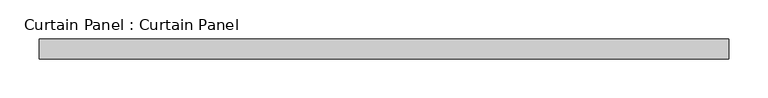
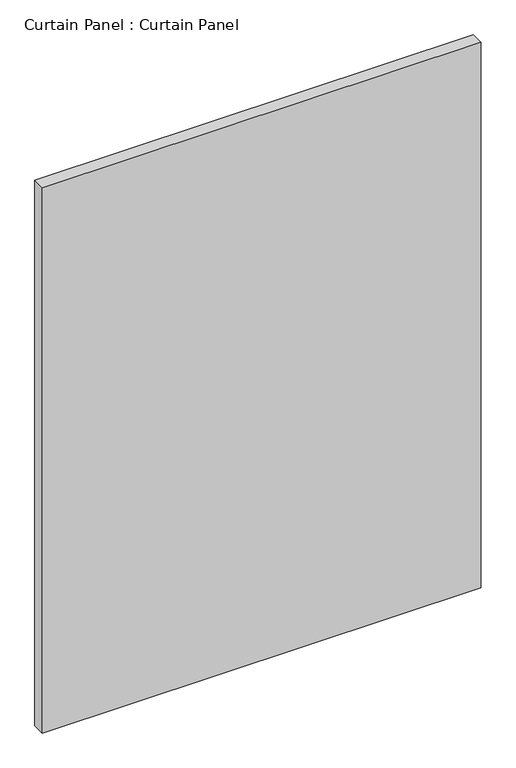
"""IFC4 building model written with IfcOpenShell, lengths in millimetres: plate geometry, Curtain Panel : Curtain Panel."""

import ifcopenshell
import ifcopenshell.guid

model = None  # the IFC model being written
_history = None  # IfcOwnerHistory: only IFC2X3 demands one
_inside = {}  # id of a spatial element -> (the spatial element, [elements in it])
_under = {}  # id of a project, library or spatial element -> (it, [spatial elements below it])
_declared = {}  # id of a project -> (the project, [libraries it declares])
_typed = {}  # id of a type object -> (the type object, [elements of that type])
_made_of = {}  # id of a material, layer set ... -> (it, [elements and type objects made of it])


def new_model(schema):
    """Start an empty IFC model of exactly this schema.

    Asked for "IFC4X3", IfcOpenShell would pick the latest addendum, in which some entities
    have other attributes; the version numbers below select the first issue.
    IFC2X3 requires an IfcOwnerHistory on every rooted entity: one is made here for all.
    """
    global model, _history
    if schema == "IFC4X3":
        model = ifcopenshell.file(schema_version=(4, 3, 0, 0))
    else:
        model = ifcopenshell.file(schema=schema)
    _inside.clear()
    _under.clear()
    _declared.clear()
    _typed.clear()
    _made_of.clear()
    _history = None
    if model.schema == "IFC2X3":
        org = make("IfcOrganization", Name="unknown")
        user = make(
            "IfcPersonAndOrganization",
            ThePerson=make("IfcPerson", FamilyName="unknown"),
            TheOrganization=org,
        )
        app = make(
            "IfcApplication",
            ApplicationDeveloper=org,
            Version="unknown",
            ApplicationFullName="unknown",
            ApplicationIdentifier="unknown",
        )
        _history = make(
            "IfcOwnerHistory",
            OwningUser=user,
            OwningApplication=app,
            ChangeAction="ADDED",
            CreationDate=0,
        )
    return model


def make(cls, **values):
    """One entity of the class cls with the attributes given. An attribute that is None is left unset."""
    return model.create_entity(
        cls, **{name: value for name, value in values.items() if value is not None}
    )


def rooted(cls, **values):
    """An entity with a GlobalId (a new one), such as an element, a storey or a relation."""
    return make(cls, GlobalId=ifcopenshell.guid.new(), OwnerHistory=_history, **values)


def si_unit(unit_type, name, prefix=None):
    """IfcSIUnit, for example si_unit("LENGTHUNIT", "METRE", prefix="MILLI")."""
    return make("IfcSIUnit", UnitType=unit_type, Prefix=prefix, Name=name)


def assignment(units):
    """IfcUnitAssignment: the units of a project."""
    return None if units is None else make("IfcUnitAssignment", Units=units)


def point(xyz):
    """IfcCartesianPoint."""
    return None if xyz is None else make("IfcCartesianPoint", Coordinates=xyz)


def direction(xyz):
    """IfcDirection."""
    return None if xyz is None else make("IfcDirection", DirectionRatios=xyz)


def frame(location, z_axis=None, x_axis=None):
    """IfcAxis2Placement3D, a coordinate frame: its origin and axes. An axis left out is left unset."""
    return make(
        "IfcAxis2Placement3D",
        Location=point(location),
        Axis=direction(z_axis),
        RefDirection=direction(x_axis),
    )


def origin():
    """The frame at (0, 0, 0) with its axes left unset."""
    return frame((0.0, 0.0, 0.0))


def place(relative_to, where):
    """IfcLocalPlacement: puts the frame where relative to a parent placement (None: the world)."""
    return make(
        "IfcLocalPlacement", PlacementRelTo=relative_to, RelativePlacement=where
    )


def context(
    kind, dimensions, precision=None, world=None, true_north=None, identifier=None
):
    """IfcGeometricRepresentationContext, for example the 3D "Model" context."""
    return make(
        "IfcGeometricRepresentationContext",
        ContextIdentifier=identifier,
        ContextType=kind,
        CoordinateSpaceDimension=dimensions,
        Precision=precision,
        WorldCoordinateSystem=world,
        TrueNorth=true_north,
    )


def project(units=None, contexts=None):
    """IfcProject with its units and contexts."""
    return rooted(
        "IfcProject",
        Name="project",
        RepresentationContexts=contexts,
        UnitsInContext=assignment(units),
    )


def spatial(cls, under=None, at=None, **own):
    """A site, building, storey or space (cls), placed at a placement, below another one or the project."""
    s = rooted(cls, ObjectPlacement=at, **own)
    if under is not None:
        _under.setdefault(under.id(), (under, []))[1].append(s)
    return s


def polyline(points):
    """IfcPolyline through the points."""
    return make("IfcPolyline", Points=[point(p) for p in points])


def outline(outer, holes=None, kind="AREA"):
    """IfcArbitraryClosedProfileDef: a profile drawn as a closed curve; with holes, ...WithVoids."""
    if holes is None:
        return make("IfcArbitraryClosedProfileDef", ProfileType=kind, OuterCurve=outer)
    return make(
        "IfcArbitraryProfileDefWithVoids",
        ProfileType=kind,
        OuterCurve=outer,
        InnerCurves=holes,
    )


def extrude(swept, where, along, depth):
    """IfcExtrudedAreaSolid: the profile swept, set in the frame where, extruded along a direction by depth."""
    return make(
        "IfcExtrudedAreaSolid",
        SweptArea=swept,
        Position=where,
        ExtrudedDirection=direction(along),
        Depth=depth,
    )


def shape(context_of_items, identifier, shape_type, items):
    """IfcShapeRepresentation: the items that make up one representation, for example the "Body"."""
    return make(
        "IfcShapeRepresentation",
        ContextOfItems=context_of_items,
        RepresentationIdentifier=identifier,
        RepresentationType=shape_type,
        Items=items,
    )


def source(mapping_origin, context_of_items, identifier, shape_type, items):
    """IfcRepresentationMap: a shape defined once, which mapped items show again and again."""
    return make(
        "IfcRepresentationMap",
        MappingOrigin=mapping_origin,
        MappedRepresentation=shape(context_of_items, identifier, shape_type, items),
    )


def transform(
    local_origin,
    x_axis=None,
    y_axis=None,
    z_axis=None,
    scale=None,
    scale2=None,
    scale3=None,
    uniform=True,
):
    """IfcCartesianTransformationOperator3D, or its non-uniform kind. x_axis, y_axis, z_axis: its Axis1, 2, 3."""
    if uniform:
        return make(
            "IfcCartesianTransformationOperator3D",
            Axis1=direction(x_axis),
            Axis2=direction(y_axis),
            LocalOrigin=point(local_origin),
            Scale=scale,
            Axis3=direction(z_axis),
        )
    return make(
        "IfcCartesianTransformationOperator3DnonUniform",
        Axis1=direction(x_axis),
        Axis2=direction(y_axis),
        LocalOrigin=point(local_origin),
        Scale=scale,
        Axis3=direction(z_axis),
        Scale2=scale2,
        Scale3=scale3,
    )


def mapped(mapping_source, mapping_target):
    """IfcMappedItem: shows the shape of a source again, moved by a transform."""
    return make(
        "IfcMappedItem", MappingSource=mapping_source, MappingTarget=mapping_target
    )


def made_of(thing, what):
    """Note that an element or type object is made of a material, layer set ...; save() writes the relation."""
    if what is not None:
        _made_of.setdefault(what.id(), (what, []))[1].append(thing)
    return thing


def element(
    cls,
    number,
    at=None,
    inside=None,
    cuts=None,
    type_object=None,
    material=None,
    context=None,
    identifier="Body",
    shape_type=None,
    held_by="IfcProductDefinitionShape",
    body=None,
    shapes=None,
    **own,
):
    """One element of the class cls, such as IfcWall. Its Tag is "e" and its number.

    at: its placement. inside: the storey or other place that contains it. cuts: it is an
    opening in that element (IfcRelVoidsElement). A single representation is given by context,
    identifier, shape_type and body (its items); several are given by shapes. held_by: the class
    of the entity that holds the representations. save() writes the other relations.
    """
    e = rooted(cls, Tag="e%d" % number, ObjectPlacement=at, **own)
    if body is not None:
        shapes = [shape(context, identifier, shape_type, body)]
    if shapes is not None:
        e.Representation = make(held_by, Representations=shapes)
    if inside is not None:
        _inside.setdefault(inside.id(), (inside, []))[1].append(e)
    if cuts is not None:
        rooted(
            "IfcRelVoidsElement", RelatingBuildingElement=cuts, RelatedOpeningElement=e
        )
    if type_object is not None:
        _typed.setdefault(type_object.id(), (type_object, []))[1].append(e)
    return made_of(e, material)


def aggregate(whole, parts):
    """IfcRelAggregates: a whole, such as a stair, and the parts it consists of."""
    return rooted("IfcRelAggregates", RelatingObject=whole, RelatedObjects=parts)


def save(model, path):
    """Write the relations noted so far, then the file.

    IfcRelAggregates (storeys below a building ...), IfcRelContainedInSpatialStructure (elements
    in a storey), IfcRelDefinesByType, IfcRelAssociatesMaterial and IfcRelDeclares: one each for
    every whole, place, type object, material and project.
    """
    for whole, parts in _under.values():
        aggregate(whole, parts)
    for where, things in _inside.values():
        rooted(
            "IfcRelContainedInSpatialStructure",
            RelatedElements=things,
            RelatingStructure=where,
        )
    for kind, things in _typed.values():
        rooted("IfcRelDefinesByType", RelatedObjects=things, RelatingType=kind)
    for what, things in _made_of.values():
        rooted("IfcRelAssociatesMaterial", RelatedObjects=things, RelatingMaterial=what)
    for by, libraries in _declared.values():
        rooted("IfcRelDeclares", RelatingContext=by, RelatedDefinitions=libraries)
    model.write(path)


def curtain_panel_curtain_panel_8cdc3e07(model_context):
    return source(origin(), model_context, "Body", "SweptSolid", [
        extrude(outline(polyline([(-176737.9628689, 4757.6387985), (-177617.4378689, 4757.6387985), (-177617.4378689, 4783.0387985), (-176737.9628689, 4783.0387985), (-176737.9628689, 4757.6387985)])), frame((0.0, 0.0, 46.0375), z_axis=(0.0, 0.0, 1.0), x_axis=(1.0, 0.0, 0.0)), (0.0, 0.0, 1.0), 1155.7),
    ])


if __name__ == "__main__":
    model = new_model("IFC4")
    model_context = context("Model", 3, world=origin())
    ifc_project = project(units=[si_unit("LENGTHUNIT", "METRE", prefix="MILLI")], contexts=[model_context])
    site = spatial("IfcSite", under=ifc_project)
    building = spatial("IfcBuilding", under=site)
    placement = place(None, origin())
    curtain_panel_curtain_panel_shape = curtain_panel_curtain_panel_8cdc3e07(model_context)
    element("IfcPlate", 1, ObjectType="Curtain Panel : Curtain Panel", at=placement, inside=building, context=model_context, shape_type="MappedRepresentation", body=[
        mapped(curtain_panel_curtain_panel_shape, transform((0.0, 0.0, 0.0), x_axis=(1.0, 0.0, 0.0), y_axis=(0.0, 1.0, 0.0), z_axis=(0.0, 0.0, 1.0))),
    ])
    save(model, "model.ifc")
